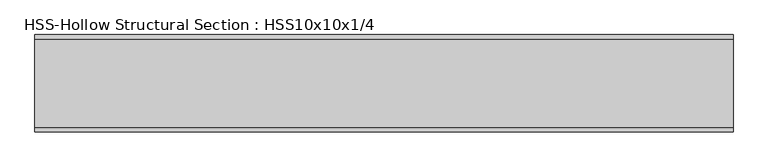
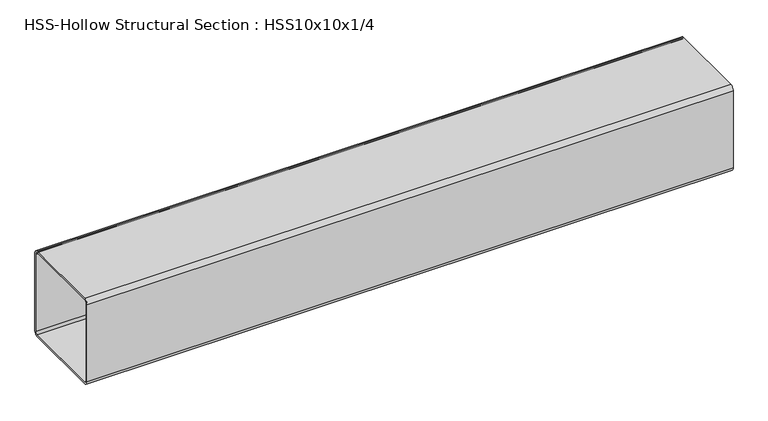
"""IFC4 building model written with IfcOpenShell, lengths in millimetres: beam geometry, HSS-Hollow Structural Section : HSS10x10x1/4."""

from ifc_helpers import new_model, si_unit, point, frame, frame_2d, origin, place, context, project, spatial, polyline, circle_curve, trimmed, segment, composite_curve, outline, extrude, source, transform, mapped, element, save


def hss_hollow_structural_section_hss10x10x1_4_26930884(model_context):
    return source(origin(), model_context, "Body", "SweptSolid", [
        extrude(outline(composite_curve([segment(polyline([(127.0, 115.1636), (127.0, -115.1636)]), True, "CONTINUOUS"), segment(trimmed(circle_curve(frame_2d((115.1636, -115.1636)), 11.8364), [point((127.0, -115.1636))], [point((115.1636, -127.0))], False, "CARTESIAN"), True, "CONTINUOUS"), segment(polyline([(115.1636, -127.0), (-115.1636, -127.0)]), True, "CONTINUOUS"), segment(trimmed(circle_curve(frame_2d((-115.1636, -115.1636)), 11.8364), [point((-115.1636, -127.0))], [point((-127.0, -115.1636))], False, "CARTESIAN"), True, "CONTINUOUS"), segment(polyline([(-127.0, -115.1636), (-127.0, 115.1636)]), True, "CONTINUOUS"), segment(trimmed(circle_curve(frame_2d((-115.1636, 115.1636)), 11.8364), [point((-127.0, 115.1636))], [point((-115.1636, 127.0))], False, "CARTESIAN"), True, "CONTINUOUS"), segment(polyline([(-115.1636, 127.0), (115.1636, 127.0)]), True, "CONTINUOUS"), segment(trimmed(circle_curve(frame_2d((115.1636, 115.1636)), 11.8364), [point((115.1636, 127.0))], [point((127.0, 115.1636))], False, "CARTESIAN"), True, "CONTINUOUS")], self_intersect=False), holes=[composite_curve([segment(trimmed(circle_curve(frame_2d((-115.1636, 115.1636)), 5.9182), [point((-115.1636, 121.0818))], [point((-121.0818, 115.1636))], True, "CARTESIAN"), True, "CONTINUOUS"), segment(polyline([(-121.0818, 115.1636), (-121.0818, -115.1636)]), True, "CONTINUOUS"), segment(trimmed(circle_curve(frame_2d((-115.1636, -115.1636)), 5.9182), [point((-121.0818, -115.1636))], [point((-115.1636, -121.0818))], True, "CARTESIAN"), True, "CONTINUOUS"), segment(polyline([(-115.1636, -121.0818), (115.1636, -121.0818)]), True, "CONTINUOUS"), segment(trimmed(circle_curve(frame_2d((115.1636, -115.1636)), 5.9182), [point((115.1636, -121.0818))], [point((121.0818, -115.1636))], True, "CARTESIAN"), True, "CONTINUOUS"), segment(polyline([(121.0818, -115.1636), (121.0818, 115.1636)]), True, "CONTINUOUS"), segment(trimmed(circle_curve(frame_2d((115.1636, 115.1636)), 5.9182), [point((121.0818, 115.1636))], [point((115.1636, 121.0818))], True, "CARTESIAN"), True, "CONTINUOUS"), segment(polyline([(115.1636, 121.0818), (-115.1636, 121.0818)]), True, "CONTINUOUS")], self_intersect=False)]), frame((-954.428315, 0.0, 0.0), z_axis=(1.0, 0.0, 0.0), x_axis=(0.0, 1.0, 0.0)), (0.0, 0.0, 1.0), 1819.5459462),
    ])


if __name__ == "__main__":
    model = new_model("IFC4")
    model_context = context("Model", 3, world=origin())
    ifc_project = project(units=[si_unit("LENGTHUNIT", "METRE", prefix="MILLI")], contexts=[model_context])
    site = spatial("IfcSite", under=ifc_project)
    building = spatial("IfcBuilding", under=site)
    placement = place(None, origin())
    hss_hollow_structural_section_hss10x10x1_4_shape = hss_hollow_structural_section_hss10x10x1_4_26930884(model_context)
    element("IfcBeam", 1, ObjectType="HSS-Hollow Structural Section : HSS10x10x1/4", at=placement, inside=building, context=model_context, shape_type="MappedRepresentation", body=[
        mapped(hss_hollow_structural_section_hss10x10x1_4_shape, transform((0.0, 0.0, 0.0), x_axis=(1.0, 0.0, 0.0), y_axis=(0.0, 1.0, 0.0), z_axis=(0.0, 0.0, 1.0))),
    ])
    save(model, "model.ifc")
